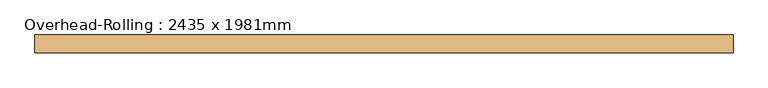
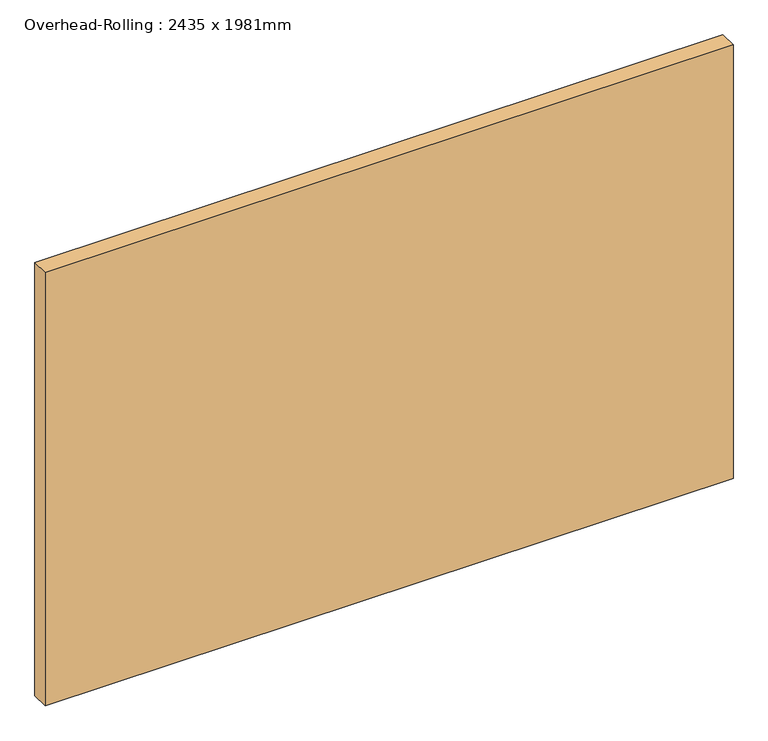
"""IFC4 building model written with IfcOpenShell, lengths in millimetres: door geometry, Overhead-Rolling : 2435 x 1981mm."""

from ifc_helpers import new_model, si_unit, origin, origin_with_axes, place, context, project, spatial, polyline, outline, extrude, source, transform, mapped, element, save


def overhead_rolling_2435_x_1981mm_d4d02e4d(model_context):
    return source(origin(), model_context, "Body", "SweptSolid", [
        extrude(outline(polyline([(1500.0, -31.0058594), (-1473.2, -31.0058594), (-1473.2, 44.9941406), (1500.0, 44.9941406), (1500.0, -31.0058594)])), origin_with_axes(), (0.0, 0.0, 1.0), 1981.0),
    ])


if __name__ == "__main__":
    model = new_model("IFC4")
    model_context = context("Model", 3, world=origin())
    ifc_project = project(units=[si_unit("LENGTHUNIT", "METRE", prefix="MILLI")], contexts=[model_context])
    site = spatial("IfcSite", under=ifc_project)
    building = spatial("IfcBuilding", under=site)
    placement = place(None, origin())
    overhead_rolling_2435_x_1981mm_shape = overhead_rolling_2435_x_1981mm_d4d02e4d(model_context)
    element("IfcDoor", 1, ObjectType="Overhead-Rolling : 2435 x 1981mm", at=placement, inside=building, context=model_context, shape_type="MappedRepresentation", body=[
        mapped(overhead_rolling_2435_x_1981mm_shape, transform((0.0, 0.0, 0.0), x_axis=(1.0, 0.0, 0.0), y_axis=(0.0, 1.0, 0.0), z_axis=(0.0, 0.0, 1.0))),
    ])
    save(model, "model.ifc")
